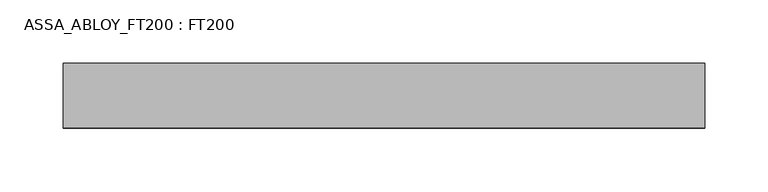
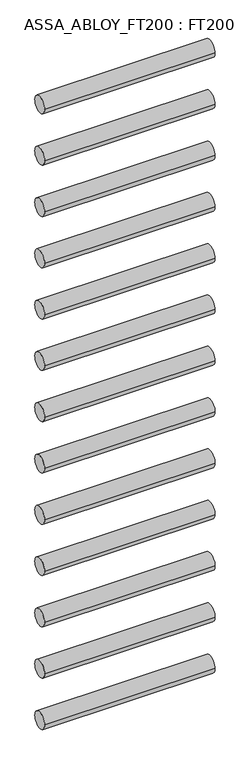
"""IFC4 building model written with IfcOpenShell, lengths in millimetres: proxy geometry, ASSA_ABLOY_FT200 : FT200."""

from ifc_helpers import new_model, si_unit, point, frame, frame_2d, origin, place, context, project, spatial, circle_curve, trimmed, segment, composite_curve, outline, extrude, source, transform, mapped, element, save


def assa_abloy_ft200_ft200_fce67eac(model_context):
    return source(origin(), model_context, "Body", "SweptSolid", [
        extrude(outline(composite_curve([segment(trimmed(circle_curve(frame_2d((0.0, 143.0)), 25.5), [point((-25.5, 143.0))], [point((25.5, 143.0))], False, "CARTESIAN"), True, "CONTINUOUS"), segment(trimmed(circle_curve(frame_2d((0.0, 143.0)), 25.5), [point((25.5, 143.0))], [point((-25.5, 143.0))], False, "CARTESIAN"), True, "CONTINUOUS")], self_intersect=False)), frame((184.2, 0.0, 0.0), z_axis=(1.0, 0.0, 0.0), x_axis=(0.0, 1.0, 0.0)), (0.0, 0.0, 1.0), 506.3),
        extrude(outline(composite_curve([segment(trimmed(circle_curve(frame_2d((0.0, 304.0)), 25.5), [point((-25.5, 304.0))], [point((25.5, 304.0))], False, "CARTESIAN"), True, "CONTINUOUS"), segment(trimmed(circle_curve(frame_2d((0.0, 304.0)), 25.5), [point((25.5, 304.0))], [point((-25.5, 304.0))], False, "CARTESIAN"), True, "CONTINUOUS")], self_intersect=False)), frame((184.2, 0.0, 0.0), z_axis=(1.0, 0.0, 0.0), x_axis=(0.0, 1.0, 0.0)), (0.0, 0.0, 1.0), 506.3),
        extrude(outline(composite_curve([segment(trimmed(circle_curve(frame_2d((0.0, 465.0)), 25.5), [point((-25.5, 465.0))], [point((25.5, 465.0))], False, "CARTESIAN"), True, "CONTINUOUS"), segment(trimmed(circle_curve(frame_2d((0.0, 465.0)), 25.5), [point((25.5, 465.0))], [point((-25.5, 465.0))], False, "CARTESIAN"), True, "CONTINUOUS")], self_intersect=False)), frame((184.2, 0.0, 0.0), z_axis=(1.0, 0.0, 0.0), x_axis=(0.0, 1.0, 0.0)), (0.0, 0.0, 1.0), 506.3),
        extrude(outline(composite_curve([segment(trimmed(circle_curve(frame_2d((0.0, 626.0)), 25.5), [point((-25.5, 626.0))], [point((25.5, 626.0))], False, "CARTESIAN"), True, "CONTINUOUS"), segment(trimmed(circle_curve(frame_2d((0.0, 626.0)), 25.5), [point((25.5, 626.0))], [point((-25.5, 626.0))], False, "CARTESIAN"), True, "CONTINUOUS")], self_intersect=False)), frame((184.2, 0.0, 0.0), z_axis=(1.0, 0.0, 0.0), x_axis=(0.0, 1.0, 0.0)), (0.0, 0.0, 1.0), 506.3),
        extrude(outline(composite_curve([segment(trimmed(circle_curve(frame_2d((0.0, 787.0)), 25.5), [point((-25.5, 787.0))], [point((25.5, 787.0))], False, "CARTESIAN"), True, "CONTINUOUS"), segment(trimmed(circle_curve(frame_2d((0.0, 787.0)), 25.5), [point((25.5, 787.0))], [point((-25.5, 787.0))], False, "CARTESIAN"), True, "CONTINUOUS")], self_intersect=False)), frame((184.2, 0.0, 0.0), z_axis=(1.0, 0.0, 0.0), x_axis=(0.0, 1.0, 0.0)), (0.0, 0.0, 1.0), 506.3),
        extrude(outline(composite_curve([segment(trimmed(circle_curve(frame_2d((0.0, 948.0)), 25.5), [point((-25.5, 948.0))], [point((25.5, 948.0))], False, "CARTESIAN"), True, "CONTINUOUS"), segment(trimmed(circle_curve(frame_2d((0.0, 948.0)), 25.5), [point((25.5, 948.0))], [point((-25.5, 948.0))], False, "CARTESIAN"), True, "CONTINUOUS")], self_intersect=False)), frame((184.2, 0.0, 0.0), z_axis=(1.0, 0.0, 0.0), x_axis=(0.0, 1.0, 0.0)), (0.0, 0.0, 1.0), 506.3),
        extrude(outline(composite_curve([segment(trimmed(circle_curve(frame_2d((0.0, 1109.0)), 25.5), [point((-25.5, 1109.0))], [point((25.5, 1109.0))], False, "CARTESIAN"), True, "CONTINUOUS"), segment(trimmed(circle_curve(frame_2d((0.0, 1109.0)), 25.5), [point((25.5, 1109.0))], [point((-25.5, 1109.0))], False, "CARTESIAN"), True, "CONTINUOUS")], self_intersect=False)), frame((184.2, 0.0, 0.0), z_axis=(1.0, 0.0, 0.0), x_axis=(0.0, 1.0, 0.0)), (0.0, 0.0, 1.0), 506.3),
        extrude(outline(composite_curve([segment(trimmed(circle_curve(frame_2d((0.0, 1270.0)), 25.5), [point((-25.5, 1270.0))], [point((25.5, 1270.0))], False, "CARTESIAN"), True, "CONTINUOUS"), segment(trimmed(circle_curve(frame_2d((0.0, 1270.0)), 25.5), [point((25.5, 1270.0))], [point((-25.5, 1270.0))], False, "CARTESIAN"), True, "CONTINUOUS")], self_intersect=False)), frame((184.2, 0.0, 0.0), z_axis=(1.0, 0.0, 0.0), x_axis=(0.0, 1.0, 0.0)), (0.0, 0.0, 1.0), 506.3),
        extrude(outline(composite_curve([segment(trimmed(circle_curve(frame_2d((0.0, 1431.0)), 25.5), [point((-25.5, 1431.0))], [point((25.5, 1431.0))], False, "CARTESIAN"), True, "CONTINUOUS"), segment(trimmed(circle_curve(frame_2d((0.0, 1431.0)), 25.5), [point((25.5, 1431.0))], [point((-25.5, 1431.0))], False, "CARTESIAN"), True, "CONTINUOUS")], self_intersect=False)), frame((184.2, 0.0, 0.0), z_axis=(1.0, 0.0, 0.0), x_axis=(0.0, 1.0, 0.0)), (0.0, 0.0, 1.0), 506.3),
        extrude(outline(composite_curve([segment(trimmed(circle_curve(frame_2d((0.0, 1592.0)), 25.5), [point((-25.5, 1592.0))], [point((25.5, 1592.0))], False, "CARTESIAN"), True, "CONTINUOUS"), segment(trimmed(circle_curve(frame_2d((0.0, 1592.0)), 25.5), [point((25.5, 1592.0))], [point((-25.5, 1592.0))], False, "CARTESIAN"), True, "CONTINUOUS")], self_intersect=False)), frame((184.2, 0.0, 0.0), z_axis=(1.0, 0.0, 0.0), x_axis=(0.0, 1.0, 0.0)), (0.0, 0.0, 1.0), 506.3),
        extrude(outline(composite_curve([segment(trimmed(circle_curve(frame_2d((0.0, 1753.0)), 25.5), [point((-25.5, 1753.0))], [point((25.5, 1753.0))], False, "CARTESIAN"), True, "CONTINUOUS"), segment(trimmed(circle_curve(frame_2d((0.0, 1753.0)), 25.5), [point((25.5, 1753.0))], [point((-25.5, 1753.0))], False, "CARTESIAN"), True, "CONTINUOUS")], self_intersect=False)), frame((184.2, 0.0, 0.0), z_axis=(1.0, 0.0, 0.0), x_axis=(0.0, 1.0, 0.0)), (0.0, 0.0, 1.0), 506.3),
        extrude(outline(composite_curve([segment(trimmed(circle_curve(frame_2d((0.0, 1914.0)), 25.5), [point((-25.5, 1914.0))], [point((25.5, 1914.0))], False, "CARTESIAN"), True, "CONTINUOUS"), segment(trimmed(circle_curve(frame_2d((0.0, 1914.0)), 25.5), [point((25.5, 1914.0))], [point((-25.5, 1914.0))], False, "CARTESIAN"), True, "CONTINUOUS")], self_intersect=False)), frame((184.2, 0.0, 0.0), z_axis=(1.0, 0.0, 0.0), x_axis=(0.0, 1.0, 0.0)), (0.0, 0.0, 1.0), 506.3),
        extrude(outline(composite_curve([segment(trimmed(circle_curve(frame_2d((0.0, 2075.0)), 25.5), [point((-25.5, 2075.0))], [point((25.5, 2075.0))], False, "CARTESIAN"), True, "CONTINUOUS"), segment(trimmed(circle_curve(frame_2d((0.0, 2075.0)), 25.5), [point((25.5, 2075.0))], [point((-25.5, 2075.0))], False, "CARTESIAN"), True, "CONTINUOUS")], self_intersect=False)), frame((184.2, 0.0, 0.0), z_axis=(1.0, 0.0, 0.0), x_axis=(0.0, 1.0, 0.0)), (0.0, 0.0, 1.0), 506.3),
    ])


if __name__ == "__main__":
    model = new_model("IFC4")
    model_context = context("Model", 3, world=origin())
    ifc_project = project(units=[si_unit("LENGTHUNIT", "METRE", prefix="MILLI")], contexts=[model_context])
    site = spatial("IfcSite", under=ifc_project)
    building = spatial("IfcBuilding", under=site)
    placement = place(None, origin())
    assa_abloy_ft200_ft200_shape = assa_abloy_ft200_ft200_fce67eac(model_context)
    element("IfcBuildingElementProxy", 1, Name="ASSA_ABLOY_FT200 : FT200", ObjectType="ASSA_ABLOY_FT200 : FT200", at=placement, inside=building, context=model_context, shape_type="MappedRepresentation", body=[
        mapped(assa_abloy_ft200_ft200_shape, transform((0.0, 0.0, 0.0), x_axis=(1.0, 0.0, 0.0), y_axis=(0.0, 1.0, 0.0), z_axis=(0.0, 0.0, 1.0))),
    ])
    save(model, "model.ifc")
